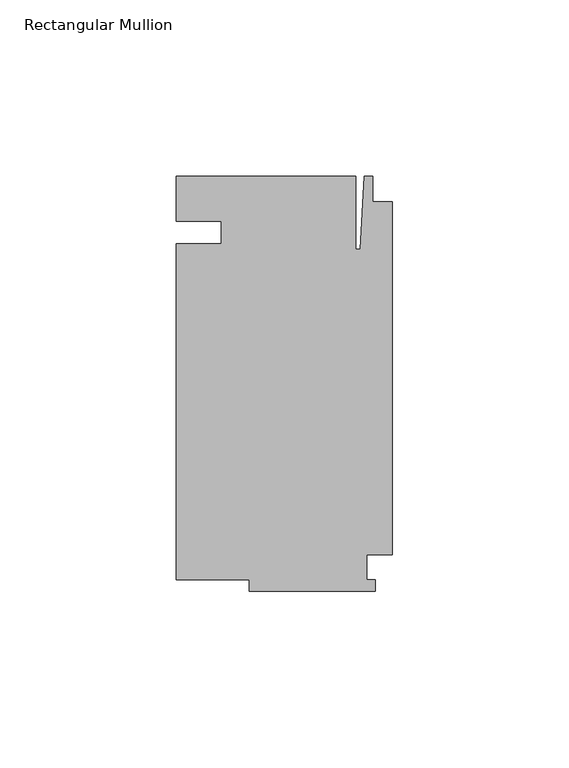
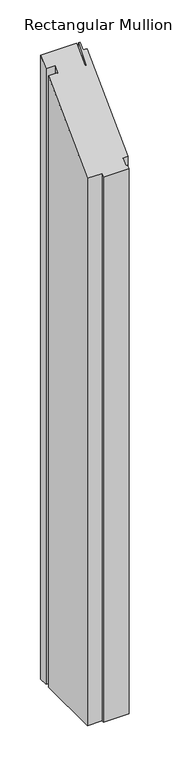
"""IFC4 building model written with IfcOpenShell, lengths in millimetres: member geometry, Rectangular Mullion."""

from ifc_helpers import new_model, si_unit, origin, place, context, project, spatial, faceted_brep, source, transform, mapped, element, save


def rectangular_mullion_52cabf3a(model_context):
    return source(origin(), model_context, "Body", "Brep", [
        faceted_brep([(-48.41875, -3.175, -914.4), (-48.41875, 3.175, -914.4), (-61.11875, 3.175, -914.4), (-61.11875, 15.875, -914.4), (-10.31875, 15.875, -914.4), (-10.31875, -4.7625, -914.4), (-9.0190655, -4.7625, -914.4), (-7.9375, 15.875, -914.4), (-5.55625, 15.875, -914.4), (-5.55625, 8.73125, -914.4), (0.0, 8.73125, -914.4), (0.0, -91.28125, -914.4), (-7.14375, -91.28125, -914.4), (-7.14375, -98.425, -914.4), (-4.7625, -98.425, -914.4), (-4.7625, -101.6, -914.4), (-40.48125, -101.6, -914.4), (-40.48125, -98.425, -914.4), (-61.11875, -98.425, -914.4), (-61.11875, -3.175, -914.4), (-61.11875, -3.175, -3.175), (-48.41875, -3.175, -3.175), (-61.11875, -98.425, -98.425), (-40.48125, -98.425, -98.425), (-40.48125, -101.6, -101.6), (-4.7625, -101.6, -101.6), (-4.7625, -98.425, -98.425), (-7.14375, -98.425, -98.425), (-7.14375, -91.28125, -91.28125), (0.0, -91.28125, -91.28125), (0.0, 8.73125, 8.73125), (-5.55625, 8.73125, 8.73125), (-5.55625, 15.875, 15.875), (-7.9375, 15.875, 15.875), (-9.0190655, -4.7625, -4.7625), (-10.31875, -4.7625, -4.7625), (-10.31875, 15.875, 15.875), (-61.11875, 15.875, 15.875), (-61.11875, 3.175, 3.175), (-48.41875, 3.175, 3.175)], [[[0, 1, 2, 3, 4, 5, 6, 7, 8, 9, 10, 11, 12, 13, 14, 15, 16, 17, 18, 19]], [[20, 21, 0, 19]], [[22, 20, 19, 18]], [[23, 22, 18, 17]], [[24, 23, 17, 16]], [[25, 24, 16, 15]], [[26, 25, 15, 14]], [[27, 26, 14, 13]], [[28, 27, 13, 12]], [[29, 28, 12, 11]], [[30, 29, 11, 10]], [[31, 30, 10, 9]], [[32, 31, 9, 8]], [[33, 32, 8, 7]], [[34, 33, 7, 6]], [[35, 34, 6, 5]], [[36, 35, 5, 4]], [[37, 36, 4, 3]], [[38, 37, 3, 2]], [[39, 38, 2, 1]], [[21, 39, 1, 0]], [[21, 20, 22, 23, 24, 25, 26, 27, 28, 29, 30, 31, 32, 33, 34, 35, 36, 37, 38, 39]]]),
    ])


if __name__ == "__main__":
    model = new_model("IFC4")
    model_context = context("Model", 3, world=origin())
    ifc_project = project(units=[si_unit("LENGTHUNIT", "METRE", prefix="MILLI")], contexts=[model_context])
    site = spatial("IfcSite", under=ifc_project)
    building = spatial("IfcBuilding", under=site)
    placement = place(None, origin())
    rectangular_mullion_shape = rectangular_mullion_52cabf3a(model_context)
    element("IfcMember", 1, ObjectType="Rectangular Mullion", at=placement, inside=building, context=model_context, shape_type="MappedRepresentation", body=[
        mapped(rectangular_mullion_shape, transform((0.0, 0.0, 0.0), x_axis=(1.0, 0.0, 0.0), y_axis=(0.0, 1.0, 0.0), z_axis=(0.0, 0.0, 1.0))),
    ])
    save(model, "model.ifc")
